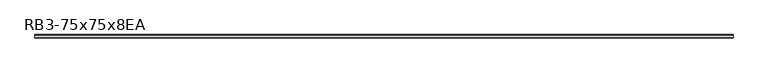
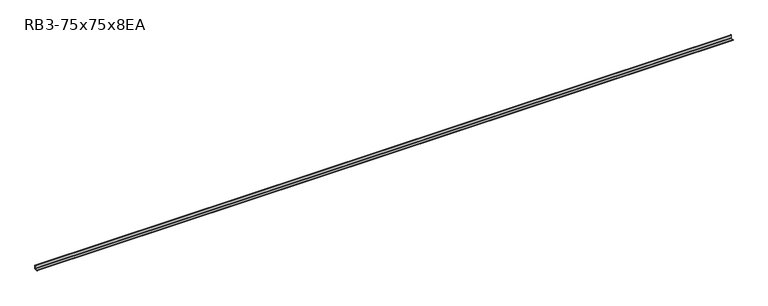
"""IFC4 building model written with IfcOpenShell, lengths in millimetres: member geometry, RB3-75x75x8EA."""

from ifc_helpers import new_model, si_unit, point, frame, frame_2d, origin, place, context, project, spatial, polyline, circle_curve, trimmed, segment, composite_curve, outline, extrude, source, transform, mapped, element, save


def rb3_75x75x8ea_7a26c94a(model_context):
    return source(origin(), model_context, "Body", "SweptSolid", [
        extrude(outline(composite_curve([segment(polyline([(21.3, -21.3), (-53.7, -21.3), (-53.7, -18.3)]), True, "CONTINUOUS"), segment(trimmed(circle_curve(frame_2d((-48.7, -18.3)), 5.0), [point((-53.7, -18.3))], [point((-48.7, -13.3))], False, "CARTESIAN"), True, "CONTINUOUS"), segment(polyline([(-48.7, -13.3), (5.3, -13.3)]), True, "CONTINUOUS"), segment(trimmed(circle_curve(frame_2d((5.3, -5.3)), 8.0), [point((5.3, -13.3))], [point((13.3, -5.3))], True, "CARTESIAN"), True, "CONTINUOUS"), segment(polyline([(13.3, -5.3), (13.3, 48.7)]), True, "CONTINUOUS"), segment(trimmed(circle_curve(frame_2d((18.3, 48.7)), 5.0), [point((13.3, 48.7))], [point((18.3, 53.7))], False, "CARTESIAN"), True, "CONTINUOUS"), segment(polyline([(18.3, 53.7), (21.3, 53.7), (21.3, -21.3)]), True, "CONTINUOUS")], self_intersect=False)), frame((-7337.5, 0.0, 0.0), z_axis=(1.0, 0.0, 0.0), x_axis=(0.0, 1.0, 0.0)), (0.0, 0.0, 1.0), 14632.0),
    ])


if __name__ == "__main__":
    model = new_model("IFC4")
    model_context = context("Model", 3, world=origin())
    ifc_project = project(units=[si_unit("LENGTHUNIT", "METRE", prefix="MILLI")], contexts=[model_context])
    site = spatial("IfcSite", under=ifc_project)
    building = spatial("IfcBuilding", under=site)
    placement = place(None, origin())
    rb3_75x75x8ea_shape = rb3_75x75x8ea_7a26c94a(model_context)
    element("IfcMember", 1, ObjectType="RB3-75x75x8EA", at=placement, inside=building, context=model_context, shape_type="MappedRepresentation", body=[
        mapped(rb3_75x75x8ea_shape, transform((0.0, 0.0, 0.0), x_axis=(1.0, 0.0, 0.0), y_axis=(0.0, 1.0, 0.0), z_axis=(0.0, 0.0, 1.0))),
    ])
    save(model, "model.ifc")
